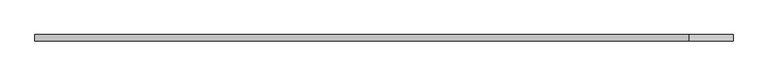
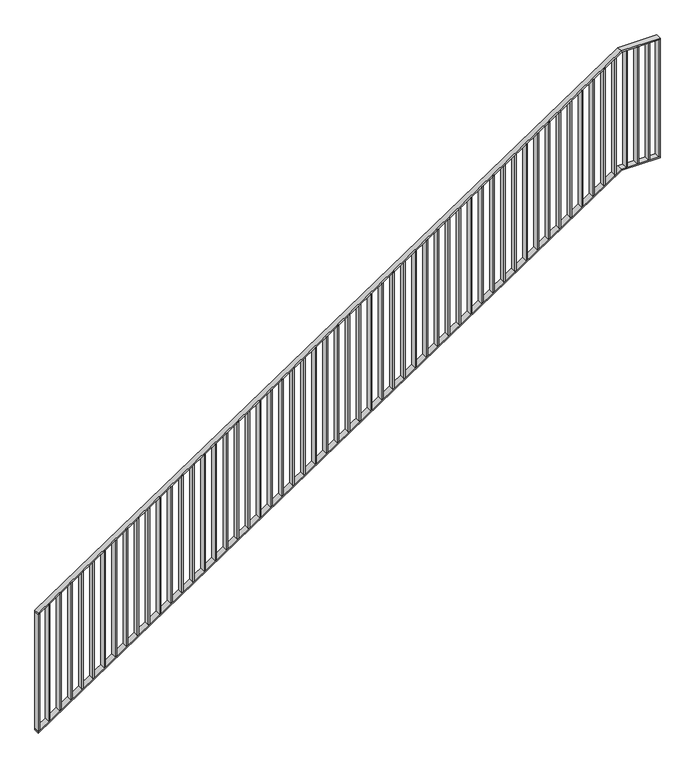
"""IFC4 building model written with IfcOpenShell, lengths in millimetres: railing geometry."""

from ifc_helpers import new_model, si_unit, frame, origin, place, context, project, spatial, polyline, outline, extrude, faceted_brep, source, transform, mapped, element, save


def railing_81a5d5a0(model_context):
    return source(origin(), model_context, "Body", "SolidModel", [
        faceted_brep([(5000.0, -81014.6, 1187.5), (5000.0, -80974.6, 1187.5), (5000.0, -80974.6, 1175.4649613), (5000.0, -81014.6, 1175.4649613), (9200.0, -81014.6, 4000.0), (9200.0, -80974.6, 4000.0), (9203.0389911, -80974.6, 3990.0), (9203.0389911, -81014.6, 3990.0), (9480.0, -81014.6, 4000.0), (9480.0, -81014.6, 3990.0), (9480.0, -80974.6, 3990.0), (9480.0, -80974.6, 4000.0)], [[[0, 1, 2, 3]], [[1, 0, 4, 5]], [[2, 1, 5, 6]], [[3, 2, 6, 7]], [[0, 3, 7, 4]], [[8, 9, 10, 11]], [[5, 4, 8, 11]], [[6, 5, 11, 10]], [[7, 6, 10, 9]], [[4, 7, 9, 8]]]),
        faceted_brep([(5000.0, -81014.6, 287.5), (5000.0, -80974.6, 287.5), (5000.0, -80974.6, 275.4649613), (5000.0, -81014.6, 275.4649613), (9200.0, -81014.6, 3100.0), (9200.0, -80974.6, 3100.0), (9203.0389911, -80974.6, 3090.0), (9203.0389911, -81014.6, 3090.0), (9480.0, -81014.6, 3100.0), (9480.0, -81014.6, 3090.0), (9480.0, -80974.6, 3090.0), (9480.0, -80974.6, 3100.0)], [[[0, 1, 2, 3]], [[1, 0, 4, 5]], [[2, 1, 5, 6]], [[3, 2, 6, 7]], [[0, 3, 7, 4]], [[8, 9, 10, 11]], [[5, 4, 8, 11]], [[6, 5, 11, 10]], [[7, 6, 10, 9]], [[4, 7, 9, 8]]]),
        extrude(outline(polyline([(9395.0, -81014.6), (9395.0, -80974.6), (9405.0, -80974.6), (9405.0, -81014.6), (9395.0, -81014.6)])), frame((0.0, 0.0, 3100.0), z_axis=(0.0, 0.0, 1.0), x_axis=(1.0, 0.0, 0.0)), (0.0, 0.0, 1.0), 890.0),
        extrude(outline(polyline([(9315.0, -81014.6), (9315.0, -80974.6), (9325.0, -80974.6), (9325.0, -81014.6), (9315.0, -81014.6)])), frame((0.0, 0.0, 3100.0), z_axis=(0.0, 0.0, 1.0), x_axis=(1.0, 0.0, 0.0)), (0.0, 0.0, 1.0), 890.0),
        extrude(outline(polyline([(9235.0, -81014.6), (9235.0, -80974.6), (9245.0, -80974.6), (9245.0, -81014.6), (9235.0, -81014.6)])), frame((0.0, 0.0, 3100.0), z_axis=(0.0, 0.0, 1.0), x_axis=(1.0, 0.0, 0.0)), (0.0, 0.0, 1.0), 890.0),
        extrude(outline(polyline([(3959.8660714, 9155.0), (3069.8660714, 9155.0), (3076.5625, 9165.0), (3966.5625, 9165.0), (3959.8660714, 9155.0)])), frame((0.0, -81014.6, 0.0), z_axis=(0.0, 1.0, 0.0), x_axis=(0.0, 0.0, 1.0)), (0.0, 0.0, 1.0), 40.0),
        extrude(outline(polyline([(3906.2946429, 9075.0), (3016.2946429, 9075.0), (3022.9910714, 9085.0), (3912.9910714, 9085.0), (3906.2946429, 9075.0)])), frame((0.0, -81014.6, 0.0), z_axis=(0.0, 1.0, 0.0), x_axis=(0.0, 0.0, 1.0)), (0.0, 0.0, 1.0), 40.0),
        extrude(outline(polyline([(3852.7232143, 8995.0), (2962.7232143, 8995.0), (2969.4196429, 9005.0), (3859.4196429, 9005.0), (3852.7232143, 8995.0)])), frame((0.0, -81014.6, 0.0), z_axis=(0.0, 1.0, 0.0), x_axis=(0.0, 0.0, 1.0)), (0.0, 0.0, 1.0), 40.0),
        extrude(outline(polyline([(3799.1517857, 8915.0), (2909.1517857, 8915.0), (2915.8482143, 8925.0), (3805.8482143, 8925.0), (3799.1517857, 8915.0)])), frame((0.0, -81014.6, 0.0), z_axis=(0.0, 1.0, 0.0), x_axis=(0.0, 0.0, 1.0)), (0.0, 0.0, 1.0), 40.0),
        extrude(outline(polyline([(3745.5803571, 8835.0), (2855.5803571, 8835.0), (2862.2767857, 8845.0), (3752.2767857, 8845.0), (3745.5803571, 8835.0)])), frame((0.0, -81014.6, 0.0), z_axis=(0.0, 1.0, 0.0), x_axis=(0.0, 0.0, 1.0)), (0.0, 0.0, 1.0), 40.0),
        extrude(outline(polyline([(3692.0089286, 8755.0), (2802.0089286, 8755.0), (2808.7053571, 8765.0), (3698.7053571, 8765.0), (3692.0089286, 8755.0)])), frame((0.0, -81014.6, 0.0), z_axis=(0.0, 1.0, 0.0), x_axis=(0.0, 0.0, 1.0)), (0.0, 0.0, 1.0), 40.0),
        extrude(outline(polyline([(3638.4375, 8675.0), (2748.4375, 8675.0), (2755.1339286, 8685.0), (3645.1339286, 8685.0), (3638.4375, 8675.0)])), frame((0.0, -81014.6, 0.0), z_axis=(0.0, 1.0, 0.0), x_axis=(0.0, 0.0, 1.0)), (0.0, 0.0, 1.0), 40.0),
        extrude(outline(polyline([(3584.8660714, 8595.0), (2694.8660714, 8595.0), (2701.5625, 8605.0), (3591.5625, 8605.0), (3584.8660714, 8595.0)])), frame((0.0, -81014.6, 0.0), z_axis=(0.0, 1.0, 0.0), x_axis=(0.0, 0.0, 1.0)), (0.0, 0.0, 1.0), 40.0),
        extrude(outline(polyline([(3531.2946429, 8515.0), (2641.2946429, 8515.0), (2647.9910714, 8525.0), (3537.9910714, 8525.0), (3531.2946429, 8515.0)])), frame((0.0, -81014.6, 0.0), z_axis=(0.0, 1.0, 0.0), x_axis=(0.0, 0.0, 1.0)), (0.0, 0.0, 1.0), 40.0),
        extrude(outline(polyline([(3477.7232143, 8435.0), (2587.7232143, 8435.0), (2594.4196429, 8445.0), (3484.4196429, 8445.0), (3477.7232143, 8435.0)])), frame((0.0, -81014.6, 0.0), z_axis=(0.0, 1.0, 0.0), x_axis=(0.0, 0.0, 1.0)), (0.0, 0.0, 1.0), 40.0),
        extrude(outline(polyline([(3424.1517857, 8355.0), (2534.1517857, 8355.0), (2540.8482143, 8365.0), (3430.8482143, 8365.0), (3424.1517857, 8355.0)])), frame((0.0, -81014.6, 0.0), z_axis=(0.0, 1.0, 0.0), x_axis=(0.0, 0.0, 1.0)), (0.0, 0.0, 1.0), 40.0),
        extrude(outline(polyline([(3370.5803571, 8275.0), (2480.5803571, 8275.0), (2487.2767857, 8285.0), (3377.2767857, 8285.0), (3370.5803571, 8275.0)])), frame((0.0, -81014.6, 0.0), z_axis=(0.0, 1.0, 0.0), x_axis=(0.0, 0.0, 1.0)), (0.0, 0.0, 1.0), 40.0),
        extrude(outline(polyline([(3317.0089286, 8195.0), (2427.0089286, 8195.0), (2433.7053571, 8205.0), (3323.7053571, 8205.0), (3317.0089286, 8195.0)])), frame((0.0, -81014.6, 0.0), z_axis=(0.0, 1.0, 0.0), x_axis=(0.0, 0.0, 1.0)), (0.0, 0.0, 1.0), 40.0),
        extrude(outline(polyline([(3263.4375, 8115.0), (2373.4375, 8115.0), (2380.1339286, 8125.0), (3270.1339286, 8125.0), (3263.4375, 8115.0)])), frame((0.0, -81014.6, 0.0), z_axis=(0.0, 1.0, 0.0), x_axis=(0.0, 0.0, 1.0)), (0.0, 0.0, 1.0), 40.0),
        extrude(outline(polyline([(3209.8660714, 8035.0), (2319.8660714, 8035.0), (2326.5625, 8045.0), (3216.5625, 8045.0), (3209.8660714, 8035.0)])), frame((0.0, -81014.6, 0.0), z_axis=(0.0, 1.0, 0.0), x_axis=(0.0, 0.0, 1.0)), (0.0, 0.0, 1.0), 40.0),
        extrude(outline(polyline([(3156.2946429, 7955.0), (2266.2946429, 7955.0), (2272.9910714, 7965.0), (3162.9910714, 7965.0), (3156.2946429, 7955.0)])), frame((0.0, -81014.6, 0.0), z_axis=(0.0, 1.0, 0.0), x_axis=(0.0, 0.0, 1.0)), (0.0, 0.0, 1.0), 40.0),
        extrude(outline(polyline([(3102.7232143, 7875.0), (2212.7232143, 7875.0), (2219.4196429, 7885.0), (3109.4196429, 7885.0), (3102.7232143, 7875.0)])), frame((0.0, -81014.6, 0.0), z_axis=(0.0, 1.0, 0.0), x_axis=(0.0, 0.0, 1.0)), (0.0, 0.0, 1.0), 40.0),
        extrude(outline(polyline([(3049.1517857, 7795.0), (2159.1517857, 7795.0), (2165.8482143, 7805.0), (3055.8482143, 7805.0), (3049.1517857, 7795.0)])), frame((0.0, -81014.6, 0.0), z_axis=(0.0, 1.0, 0.0), x_axis=(0.0, 0.0, 1.0)), (0.0, 0.0, 1.0), 40.0),
        extrude(outline(polyline([(2995.5803571, 7715.0), (2105.5803571, 7715.0), (2112.2767857, 7725.0), (3002.2767857, 7725.0), (2995.5803571, 7715.0)])), frame((0.0, -81014.6, 0.0), z_axis=(0.0, 1.0, 0.0), x_axis=(0.0, 0.0, 1.0)), (0.0, 0.0, 1.0), 40.0),
        extrude(outline(polyline([(2942.0089286, 7635.0), (2052.0089286, 7635.0), (2058.7053571, 7645.0), (2948.7053571, 7645.0), (2942.0089286, 7635.0)])), frame((0.0, -81014.6, 0.0), z_axis=(0.0, 1.0, 0.0), x_axis=(0.0, 0.0, 1.0)), (0.0, 0.0, 1.0), 40.0),
        extrude(outline(polyline([(2888.4375, 7555.0), (1998.4375, 7555.0), (2005.1339286, 7565.0), (2895.1339286, 7565.0), (2888.4375, 7555.0)])), frame((0.0, -81014.6, 0.0), z_axis=(0.0, 1.0, 0.0), x_axis=(0.0, 0.0, 1.0)), (0.0, 0.0, 1.0), 40.0),
        extrude(outline(polyline([(2834.8660714, 7475.0), (1944.8660714, 7475.0), (1951.5625, 7485.0), (2841.5625, 7485.0), (2834.8660714, 7475.0)])), frame((0.0, -81014.6, 0.0), z_axis=(0.0, 1.0, 0.0), x_axis=(0.0, 0.0, 1.0)), (0.0, 0.0, 1.0), 40.0),
        extrude(outline(polyline([(2781.2946429, 7395.0), (1891.2946429, 7395.0), (1897.9910714, 7405.0), (2787.9910714, 7405.0), (2781.2946429, 7395.0)])), frame((0.0, -81014.6, 0.0), z_axis=(0.0, 1.0, 0.0), x_axis=(0.0, 0.0, 1.0)), (0.0, 0.0, 1.0), 40.0),
        extrude(outline(polyline([(2727.7232143, 7315.0), (1837.7232143, 7315.0), (1844.4196429, 7325.0), (2734.4196429, 7325.0), (2727.7232143, 7315.0)])), frame((0.0, -81014.6, 0.0), z_axis=(0.0, 1.0, 0.0), x_axis=(0.0, 0.0, 1.0)), (0.0, 0.0, 1.0), 40.0),
        extrude(outline(polyline([(2674.1517857, 7235.0), (1784.1517857, 7235.0), (1790.8482143, 7245.0), (2680.8482143, 7245.0), (2674.1517857, 7235.0)])), frame((0.0, -81014.6, 0.0), z_axis=(0.0, 1.0, 0.0), x_axis=(0.0, 0.0, 1.0)), (0.0, 0.0, 1.0), 40.0),
        extrude(outline(polyline([(2620.5803571, 7155.0), (1730.5803571, 7155.0), (1737.2767857, 7165.0), (2627.2767857, 7165.0), (2620.5803571, 7155.0)])), frame((0.0, -81014.6, 0.0), z_axis=(0.0, 1.0, 0.0), x_axis=(0.0, 0.0, 1.0)), (0.0, 0.0, 1.0), 40.0),
        extrude(outline(polyline([(2567.0089286, 7075.0), (1677.0089286, 7075.0), (1683.7053571, 7085.0), (2573.7053571, 7085.0), (2567.0089286, 7075.0)])), frame((0.0, -81014.6, 0.0), z_axis=(0.0, 1.0, 0.0), x_axis=(0.0, 0.0, 1.0)), (0.0, 0.0, 1.0), 40.0),
        extrude(outline(polyline([(2513.4375, 6995.0), (1623.4375, 6995.0), (1630.1339286, 7005.0), (2520.1339286, 7005.0), (2513.4375, 6995.0)])), frame((0.0, -81014.6, 0.0), z_axis=(0.0, 1.0, 0.0), x_axis=(0.0, 0.0, 1.0)), (0.0, 0.0, 1.0), 40.0),
        extrude(outline(polyline([(2459.8660714, 6915.0), (1569.8660714, 6915.0), (1576.5625, 6925.0), (2466.5625, 6925.0), (2459.8660714, 6915.0)])), frame((0.0, -81014.6, 0.0), z_axis=(0.0, 1.0, 0.0), x_axis=(0.0, 0.0, 1.0)), (0.0, 0.0, 1.0), 40.0),
        extrude(outline(polyline([(2406.2946429, 6835.0), (1516.2946429, 6835.0), (1522.9910714, 6845.0), (2412.9910714, 6845.0), (2406.2946429, 6835.0)])), frame((0.0, -81014.6, 0.0), z_axis=(0.0, 1.0, 0.0), x_axis=(0.0, 0.0, 1.0)), (0.0, 0.0, 1.0), 40.0),
        extrude(outline(polyline([(2352.7232143, 6755.0), (1462.7232143, 6755.0), (1469.4196429, 6765.0), (2359.4196429, 6765.0), (2352.7232143, 6755.0)])), frame((0.0, -81014.6, 0.0), z_axis=(0.0, 1.0, 0.0), x_axis=(0.0, 0.0, 1.0)), (0.0, 0.0, 1.0), 40.0),
        extrude(outline(polyline([(2299.1517857, 6675.0), (1409.1517857, 6675.0), (1415.8482143, 6685.0), (2305.8482143, 6685.0), (2299.1517857, 6675.0)])), frame((0.0, -81014.6, 0.0), z_axis=(0.0, 1.0, 0.0), x_axis=(0.0, 0.0, 1.0)), (0.0, 0.0, 1.0), 40.0),
        extrude(outline(polyline([(2245.5803571, 6595.0), (1355.5803571, 6595.0), (1362.2767857, 6605.0), (2252.2767857, 6605.0), (2245.5803571, 6595.0)])), frame((0.0, -81014.6, 0.0), z_axis=(0.0, 1.0, 0.0), x_axis=(0.0, 0.0, 1.0)), (0.0, 0.0, 1.0), 40.0),
        extrude(outline(polyline([(2192.0089286, 6515.0), (1302.0089286, 6515.0), (1308.7053571, 6525.0), (2198.7053571, 6525.0), (2192.0089286, 6515.0)])), frame((0.0, -81014.6, 0.0), z_axis=(0.0, 1.0, 0.0), x_axis=(0.0, 0.0, 1.0)), (0.0, 0.0, 1.0), 40.0),
        extrude(outline(polyline([(2138.4375, 6435.0), (1248.4375, 6435.0), (1255.1339286, 6445.0), (2145.1339286, 6445.0), (2138.4375, 6435.0)])), frame((0.0, -81014.6, 0.0), z_axis=(0.0, 1.0, 0.0), x_axis=(0.0, 0.0, 1.0)), (0.0, 0.0, 1.0), 40.0),
        extrude(outline(polyline([(2084.8660714, 6355.0), (1194.8660714, 6355.0), (1201.5625, 6365.0), (2091.5625, 6365.0), (2084.8660714, 6355.0)])), frame((0.0, -81014.6, 0.0), z_axis=(0.0, 1.0, 0.0), x_axis=(0.0, 0.0, 1.0)), (0.0, 0.0, 1.0), 40.0),
        extrude(outline(polyline([(2031.2946429, 6275.0), (1141.2946429, 6275.0), (1147.9910714, 6285.0), (2037.9910714, 6285.0), (2031.2946429, 6275.0)])), frame((0.0, -81014.6, 0.0), z_axis=(0.0, 1.0, 0.0), x_axis=(0.0, 0.0, 1.0)), (0.0, 0.0, 1.0), 40.0),
        extrude(outline(polyline([(1977.7232143, 6195.0), (1087.7232143, 6195.0), (1094.4196429, 6205.0), (1984.4196429, 6205.0), (1977.7232143, 6195.0)])), frame((0.0, -81014.6, 0.0), z_axis=(0.0, 1.0, 0.0), x_axis=(0.0, 0.0, 1.0)), (0.0, 0.0, 1.0), 40.0),
        extrude(outline(polyline([(1924.1517857, 6115.0), (1034.1517857, 6115.0), (1040.8482143, 6125.0), (1930.8482143, 6125.0), (1924.1517857, 6115.0)])), frame((0.0, -81014.6, 0.0), z_axis=(0.0, 1.0, 0.0), x_axis=(0.0, 0.0, 1.0)), (0.0, 0.0, 1.0), 40.0),
        extrude(outline(polyline([(1870.5803571, 6035.0), (980.5803571, 6035.0), (987.2767857, 6045.0), (1877.2767857, 6045.0), (1870.5803571, 6035.0)])), frame((0.0, -81014.6, 0.0), z_axis=(0.0, 1.0, 0.0), x_axis=(0.0, 0.0, 1.0)), (0.0, 0.0, 1.0), 40.0),
        extrude(outline(polyline([(1817.0089286, 5955.0), (927.0089286, 5955.0), (933.7053571, 5965.0), (1823.7053571, 5965.0), (1817.0089286, 5955.0)])), frame((0.0, -81014.6, 0.0), z_axis=(0.0, 1.0, 0.0), x_axis=(0.0, 0.0, 1.0)), (0.0, 0.0, 1.0), 40.0),
        extrude(outline(polyline([(1763.4375, 5875.0), (873.4375, 5875.0), (880.1339286, 5885.0), (1770.1339286, 5885.0), (1763.4375, 5875.0)])), frame((0.0, -81014.6, 0.0), z_axis=(0.0, 1.0, 0.0), x_axis=(0.0, 0.0, 1.0)), (0.0, 0.0, 1.0), 40.0),
        extrude(outline(polyline([(1709.8660714, 5795.0), (819.8660714, 5795.0), (826.5625, 5805.0), (1716.5625, 5805.0), (1709.8660714, 5795.0)])), frame((0.0, -81014.6, 0.0), z_axis=(0.0, 1.0, 0.0), x_axis=(0.0, 0.0, 1.0)), (0.0, 0.0, 1.0), 40.0),
        extrude(outline(polyline([(1656.2946429, 5715.0), (766.2946429, 5715.0), (772.9910714, 5725.0), (1662.9910714, 5725.0), (1656.2946429, 5715.0)])), frame((0.0, -81014.6, 0.0), z_axis=(0.0, 1.0, 0.0), x_axis=(0.0, 0.0, 1.0)), (0.0, 0.0, 1.0), 40.0),
        extrude(outline(polyline([(1602.7232143, 5635.0), (712.7232143, 5635.0), (719.4196429, 5645.0), (1609.4196429, 5645.0), (1602.7232143, 5635.0)])), frame((0.0, -81014.6, 0.0), z_axis=(0.0, 1.0, 0.0), x_axis=(0.0, 0.0, 1.0)), (0.0, 0.0, 1.0), 40.0),
        extrude(outline(polyline([(1549.1517857, 5555.0), (659.1517857, 5555.0), (665.8482143, 5565.0), (1555.8482143, 5565.0), (1549.1517857, 5555.0)])), frame((0.0, -81014.6, 0.0), z_axis=(0.0, 1.0, 0.0), x_axis=(0.0, 0.0, 1.0)), (0.0, 0.0, 1.0), 40.0),
        extrude(outline(polyline([(1495.5803571, 5475.0), (605.5803571, 5475.0), (612.2767857, 5485.0), (1502.2767857, 5485.0), (1495.5803571, 5475.0)])), frame((0.0, -81014.6, 0.0), z_axis=(0.0, 1.0, 0.0), x_axis=(0.0, 0.0, 1.0)), (0.0, 0.0, 1.0), 40.0),
        extrude(outline(polyline([(1442.0089286, 5395.0), (552.0089286, 5395.0), (558.7053571, 5405.0), (1448.7053571, 5405.0), (1442.0089286, 5395.0)])), frame((0.0, -81014.6, 0.0), z_axis=(0.0, 1.0, 0.0), x_axis=(0.0, 0.0, 1.0)), (0.0, 0.0, 1.0), 40.0),
        extrude(outline(polyline([(1388.4375, 5315.0), (498.4375, 5315.0), (505.1339286, 5325.0), (1395.1339286, 5325.0), (1388.4375, 5315.0)])), frame((0.0, -81014.6, 0.0), z_axis=(0.0, 1.0, 0.0), x_axis=(0.0, 0.0, 1.0)), (0.0, 0.0, 1.0), 40.0),
        extrude(outline(polyline([(1334.8660714, 5235.0), (444.8660714, 5235.0), (451.5625, 5245.0), (1341.5625, 5245.0), (1334.8660714, 5235.0)])), frame((0.0, -81014.6, 0.0), z_axis=(0.0, 1.0, 0.0), x_axis=(0.0, 0.0, 1.0)), (0.0, 0.0, 1.0), 40.0),
        extrude(outline(polyline([(1281.2946429, 5155.0), (391.2946429, 5155.0), (397.9910714, 5165.0), (1287.9910714, 5165.0), (1281.2946429, 5155.0)])), frame((0.0, -81014.6, 0.0), z_axis=(0.0, 1.0, 0.0), x_axis=(0.0, 0.0, 1.0)), (0.0, 0.0, 1.0), 40.0),
        extrude(outline(polyline([(1227.7232143, 5075.0), (337.7232143, 5075.0), (344.4196429, 5085.0), (1234.4196429, 5085.0), (1227.7232143, 5075.0)])), frame((0.0, -81014.6, 0.0), z_axis=(0.0, 1.0, 0.0), x_axis=(0.0, 0.0, 1.0)), (0.0, 0.0, 1.0), 40.0),
        extrude(outline(polyline([(9470.0, -81014.6), (9470.0, -80974.6), (9480.0, -80974.6), (9480.0, -81014.6), (9470.0, -81014.6)])), frame((0.0, 0.0, 3100.0), z_axis=(0.0, 0.0, 1.0), x_axis=(1.0, 0.0, 0.0)), (0.0, 0.0, 1.0), 890.0),
        extrude(outline(polyline([(1177.5, 5000.0), (287.5, 5000.0), (294.1964286, 5010.0), (1184.1964286, 5010.0), (1177.5, 5000.0)])), frame((0.0, -81014.6, 0.0), z_axis=(0.0, 1.0, 0.0), x_axis=(0.0, 0.0, 1.0)), (0.0, 0.0, 1.0), 40.0),
    ])


if __name__ == "__main__":
    model = new_model("IFC4")
    model_context = context("Model", 3, world=origin())
    ifc_project = project(units=[si_unit("LENGTHUNIT", "METRE", prefix="MILLI")], contexts=[model_context])
    site = spatial("IfcSite", under=ifc_project)
    building = spatial("IfcBuilding", under=site)
    placement = place(None, origin())
    railing_shape = railing_81a5d5a0(model_context)
    element("IfcRailing", 1, at=placement, inside=building, context=model_context, shape_type="MappedRepresentation", body=[
        mapped(railing_shape, transform((0.0, 0.0, 0.0), x_axis=(1.0, 0.0, 0.0), y_axis=(0.0, 1.0, 0.0), z_axis=(0.0, 0.0, 1.0))),
    ])
    save(model, "model.ifc")
